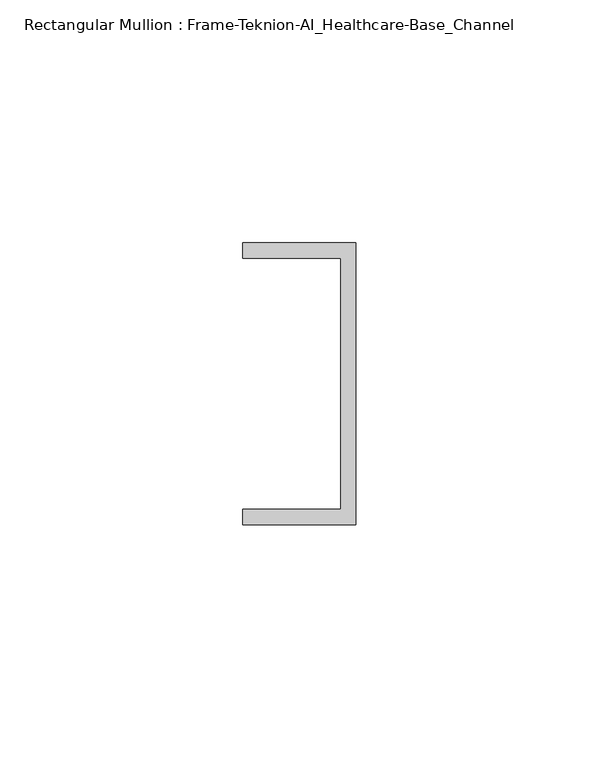
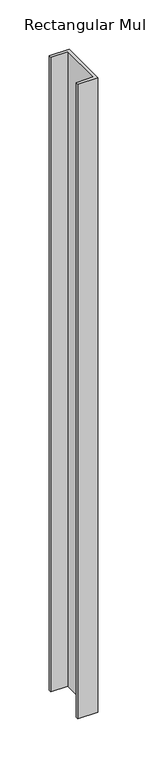
"""IFC4 building model written with IfcOpenShell, lengths in millimetres: member geometry, Rectangular Mullion : Frame-Teknion-AI_Healthcare-Base_Channel."""

from ifc_helpers import new_model, si_unit, frame, origin, place, context, project, spatial, polyline, outline, extrude, source, transform, mapped, element, save


def rectangular_mullion_frame_teknion_ai_healthcare_base_channel_ec3809e2(model_context):
    return source(origin(), model_context, "Body", "SweptSolid", [
        extrude(outline(polyline([(0.0, -29.0214844), (-23.3164063, -29.0214844), (-23.3164063, -25.8464844), (-3.175, -25.8464844), (-3.175, 25.8464844), (-23.3164063, 25.8464844), (-23.3164063, 29.0214844), (0.0, 29.0214844), (0.0, -29.0214844)])), frame((0.0, 0.0, -787.4), z_axis=(0.0, 0.0, 1.0), x_axis=(1.0, 0.0, 0.0)), (0.0, 0.0, 1.0), 787.4),
    ])


if __name__ == "__main__":
    model = new_model("IFC4")
    model_context = context("Model", 3, world=origin())
    ifc_project = project(units=[si_unit("LENGTHUNIT", "METRE", prefix="MILLI")], contexts=[model_context])
    site = spatial("IfcSite", under=ifc_project)
    building = spatial("IfcBuilding", under=site)
    placement = place(None, origin())
    rectangular_mullion_frame_teknion_ai_healthcare_base_channel_shape = rectangular_mullion_frame_teknion_ai_healthcare_base_channel_ec3809e2(model_context)
    element("IfcMember", 1, ObjectType="Rectangular Mullion : Frame-Teknion-AI_Healthcare-Base_Channel", at=placement, inside=building, context=model_context, shape_type="MappedRepresentation", body=[
        mapped(rectangular_mullion_frame_teknion_ai_healthcare_base_channel_shape, transform((0.0, 0.0, 0.0), x_axis=(1.0, 0.0, 0.0), y_axis=(0.0, 1.0, 0.0), z_axis=(0.0, 0.0, 1.0))),
    ])
    save(model, "model.ifc")
